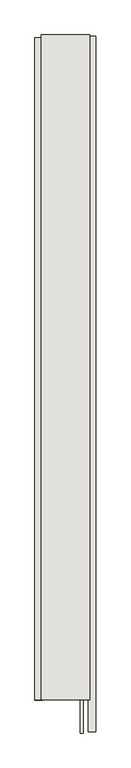
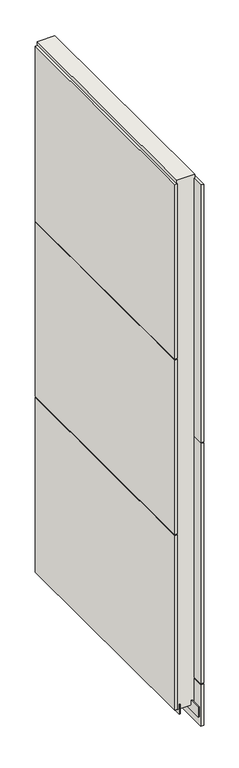
"""IFC4 building model written with IfcOpenShell, lengths in millimetres: wall geometry."""

from ifc_helpers import new_model, si_unit, frame, origin, place, context, project, spatial, polyline, outline, extrude, source, transform, mapped, element, save


def wall_5ff71997(model_context):
    return source(origin(), model_context, "Body", "SweptSolid", [
        extrude(outline(polyline([(84659.7205202, -49652.7447634), (84659.7205202, -49650.2047634), (84662.2605202, -49650.2047634), (84662.2605202, -49652.7447634), (84659.7205202, -49652.7447634)])), frame((0.0, 0.0, 4419.6), z_axis=(0.0, 0.0, 1.0), x_axis=(1.0, 0.0, 0.0)), (0.0, 0.0, 1.0), 2.54),
        extrude(outline(polyline([(84711.7905202, -49652.202575), (84711.7905202, -50812.1024142), (84699.0905202, -50812.1024142), (84699.0905202, -49652.202575), (84711.7905202, -49652.202575)])), frame((0.0, 0.0, 4573.9999706), z_axis=(0.0, 0.0, 1.0), x_axis=(1.0, 0.0, 0.0)), (0.0, 0.0, 1.0), 1164.400008),
        extrude(outline(polyline([(84711.7905202, -49652.202575), (84711.7905202, -50812.1024142), (84699.0905202, -50812.1024142), (84699.0905202, -49652.202575), (84711.7905202, -49652.202575)])), frame((0.0, 0.0, 5742.4000722), z_axis=(0.0, 0.0, 1.0), x_axis=(1.0, 0.0, 0.0)), (0.0, 0.0, 1.0), 1247.649905),
        extrude(outline(polyline([(84711.7905202, -49652.202575), (84711.7905202, -50812.1024142), (84699.0905202, -50812.1024142), (84699.0905202, -49652.202575), (84711.7905202, -49652.202575)])), frame((0.0, 0.0, 4368.1000014), z_axis=(0.0, 0.0, 1.0), x_axis=(1.0, 0.0, 0.0)), (0.0, 0.0, 1.0), 201.9000026),
        extrude(outline(polyline([(84610.1905202, -50759.269449), (84610.1905202, -49654.6696262), (84622.8905202, -49654.6696262), (84622.8905202, -50759.269449), (84610.1905202, -50759.269449)])), frame((0.0, 0.0, 6144.6445052), z_axis=(0.0, 0.0, 1.0), x_axis=(1.0, 0.0, 0.0)), (0.0, 0.0, 1.0), 845.4053704),
        extrude(outline(polyline([(84610.1905202, -50759.269449), (84610.1905202, -49654.6696262), (84622.8905202, -49654.6696262), (84622.8905202, -50759.269449), (84610.1905202, -50759.269449)])), frame((0.0, 0.0, 5294.878539), z_axis=(0.0, 0.0, 1.0), x_axis=(1.0, 0.0, 0.0)), (0.0, 0.0, 1.0), 845.7658218),
        extrude(outline(polyline([(84610.1905202, -50759.269449), (84610.1905202, -49654.6696262), (84622.8905202, -49654.6696262), (84622.8905202, -50759.269449), (84610.1905202, -50759.269449)])), frame((0.0, 0.0, 4445.0), z_axis=(0.0, 0.0, 1.0), x_axis=(1.0, 0.0, 0.0)), (0.0, 0.0, 1.0), 845.8785978),
        extrude(outline(polyline([(84686.0618696, -50814.0983716), (84686.0618696, -49650.1942224), (84691.1468226, -49650.1942224), (84691.1468226, -50814.0983716), (84686.0618696, -50814.0983716)])), frame((0.0, 0.0, 4418.6602), z_axis=(0.0, 0.0, 1.0), x_axis=(1.0, 0.0, 0.0)), (0.0, 0.0, 1.0), 47.625),
        extrude(outline(polyline([(84686.0618696, -50814.0983716), (84686.0618696, -49650.1942224), (84691.1468226, -49650.1942224), (84691.1468226, -50814.0983716), (84686.0618696, -50814.0983716)])), frame((0.0, 0.0, 4418.6602), z_axis=(0.0, 0.0, 1.0), x_axis=(1.0, 0.0, 0.0)), (0.0, 0.0, 1.0), 47.625),
        extrude(outline(polyline([(84635.9253938, -49650.1942224), (84635.9253938, -50758.8025208), (84630.8218226, -50758.8025208), (84630.8218226, -49650.1942224), (84635.9253938, -49650.1942224)])), frame((0.0, 0.0, 4418.6602), z_axis=(0.0, 0.0, 1.0), x_axis=(1.0, 0.0, 0.0)), (0.0, 0.0, 1.0), 47.625),
        extrude(outline(polyline([(84635.9253938, -49650.1942224), (84635.9253938, -50758.8025208), (84630.8218226, -50758.8025208), (84630.8218226, -49650.1942224), (84635.9253938, -49650.1942224)])), frame((0.0, 0.0, 4418.6602), z_axis=(0.0, 0.0, 1.0), x_axis=(1.0, 0.0, 0.0)), (0.0, 0.0, 1.0), 47.625),
        extrude(outline(polyline([(84701.6330094, -50758.8025208), (84620.354254, -50758.8025208), (84620.354254, -49650.1942224), (84701.6330094, -49650.1942224), (84701.6330094, -50758.8025208)])), frame((0.0, 0.0, 4445.0), z_axis=(0.0, 0.0, 1.0), x_axis=(1.0, 0.0, 0.0)), (0.0, 0.0, 1.0), 2562.4536762),
    ])


if __name__ == "__main__":
    model = new_model("IFC4")
    model_context = context("Model", 3, world=origin())
    ifc_project = project(units=[si_unit("LENGTHUNIT", "METRE", prefix="MILLI")], contexts=[model_context])
    site = spatial("IfcSite", under=ifc_project)
    building = spatial("IfcBuilding", under=site)
    placement = place(None, origin())
    wall_shape = wall_5ff71997(model_context)
    element("IfcWall", 1, at=placement, inside=building, context=model_context, shape_type="MappedRepresentation", body=[
        mapped(wall_shape, transform((0.0, 0.0, 0.0), x_axis=(1.0, 0.0, 0.0), y_axis=(0.0, 1.0, 0.0), z_axis=(0.0, 0.0, 1.0))),
    ])
    save(model, "model.ifc")
